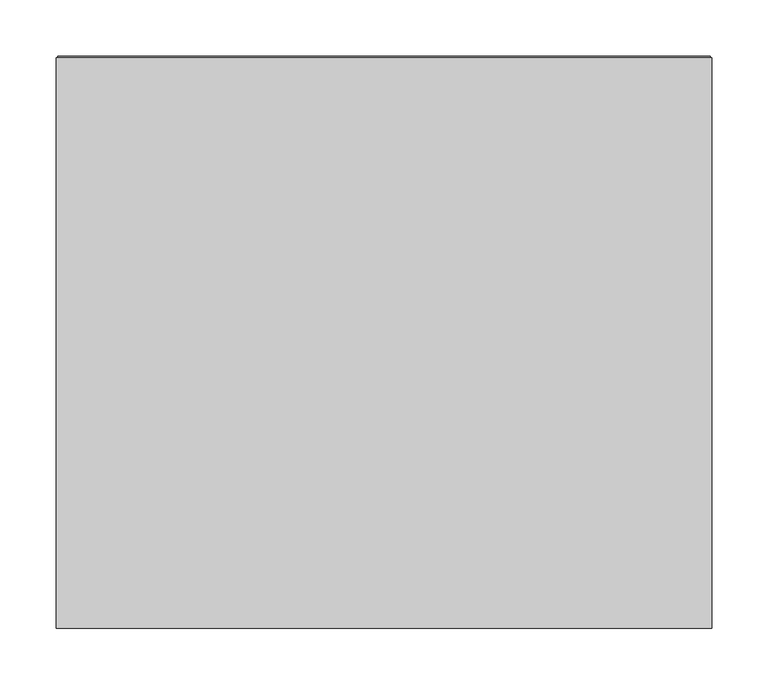
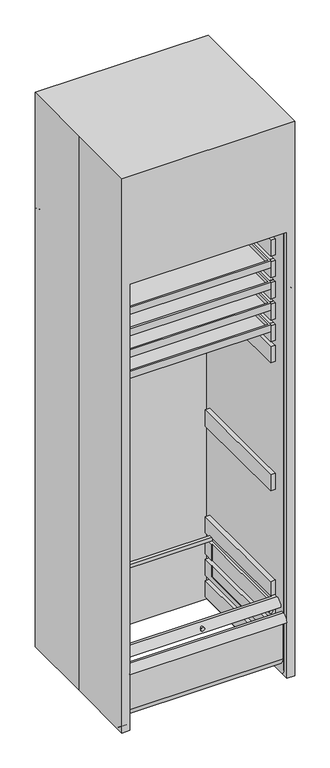
"""IFC4 building model written with IfcOpenShell, lengths in millimetres: proxy geometry."""

from ifc_helpers import new_model, si_unit, point, frame, frame_2d, origin, place, context, project, spatial, polyline, circle_curve, trimmed, segment, composite_curve, outline, extrude, faceted_brep, source, transform, mapped, element, save
from ifc_brep_helpers import plane_surface, cylinder_surface, revolved_surface, advanced_brep


def specialty_equipment_c87b44c6(model_context):
    return source(origin(), model_context, "Body", "SolidModel", [
        advanced_brep(
        [(250.825, 157.2121094, 248.49328), (250.825, 157.2121094, 259.59308), (-250.825, 157.2121094, 259.59308), (-250.825, 157.2121094, 248.49328), (-250.825, -188.8628906, 259.59308), (-250.825, -188.8628906, 248.49328), (250.825, -188.8628906, 248.49328), (250.825, -188.8628906, 259.59308), (263.525, -198.4871094, 259.59308), (263.525, -220.6128906, 234.95), (263.525, -214.2110534, 234.95), (263.525, -198.4871094, 253.24308), (263.525, -195.2128906, 253.24308), (263.525, -195.2128906, 248.49328), (263.525, 169.9121094, 248.49328), (263.525, 169.9121094, 259.59308), (-263.525, -198.4871094, 259.59308), (-263.525, 169.9121094, 259.59308), (-263.525, 169.9121094, 248.49328), (-263.525, -195.2128906, 248.49328), (-263.525, -195.2128906, 253.24308), (-263.525, -198.4871094, 253.24308), (-263.525, -214.2110534, 234.95), (-263.525, -220.6128906, 234.95)],
        [
            (0, 1),
            (1, 2),
            (2, 3),
            (3, 0),
            (2, 4),
            (4, 5),
            (5, 3),
            (0, 6),
            (6, 7),
            (7, 1),
            (8, 9, circle_curve(frame((263.525, -198.4871094, 237.3387273), z_axis=(1.0, 0.0, 0.0), x_axis=(0.0, 1.0, 0.0)), 22.2543527)),
            (9, 10),
            (10, 11, circle_curve(frame((263.525, -198.4871094, 237.3387273), z_axis=(-1.0, 0.0, 0.0), x_axis=(0.0, 1.0, 0.0)), 15.9043527)),
            (11, 12),
            (12, 13),
            (13, 14),
            (14, 15),
            (15, 8),
            (16, 17),
            (17, 18),
            (18, 19),
            (19, 20),
            (20, 21),
            (21, 22, circle_curve(frame((-263.525, -198.4871094, 237.3387273), z_axis=(1.0, 0.0, 0.0), x_axis=(0.0, 1.0, 0.0)), 15.9043527)),
            (22, 23),
            (23, 16, circle_curve(frame((-263.525, -198.4871094, 237.3387273), z_axis=(-1.0, 0.0, 0.0), x_axis=(0.0, 1.0, 0.0)), 22.2543527)),
            (8, 16),
            (23, 9),
            (22, 10),
            (21, 11),
            (20, 12),
            (19, 13),
            (18, 14),
            (5, 6),
            (17, 15),
            (7, 4),
        ],
        [
            plane_surface(frame((250.825, 157.2121094, 259.59308), z_axis=(0.0, -1.0, 0.0), x_axis=(0.0, 0.0, -1.0))),
            plane_surface(frame((-250.825, 157.2121094, 259.59308), z_axis=(1.0, 0.0, 0.0), x_axis=(0.0, 0.0, -1.0))),
            plane_surface(frame((250.825, -188.8628906, 259.59308), z_axis=(-1.0, 0.0, 0.0), x_axis=(0.0, 0.0, -1.0))),
            plane_surface(frame((263.525, -176.2327567, 237.3387273), z_axis=(1.0, 0.0, 0.0), x_axis=(0.0, 0.0, 1.0))),
            plane_surface(frame((-263.525, -176.2327567, 237.3387273), z_axis=(-1.0, 0.0, 0.0), x_axis=(0.0, 0.0, -1.0))),
            cylinder_surface(frame((-263.525, -198.4871094, 237.3387273), z_axis=(1.0, 0.0, 0.0), x_axis=(0.0, 1.0, 0.0)), 22.2543527),
            plane_surface(frame((263.525, -220.6128906, 234.95), z_axis=(0.0, 3.742431196915672e-12, -1.0), x_axis=(-1.0, 0.0, 0.0))),
            revolved_surface(polyline([(-263.525, -182.5827567, 237.3387273), (263.525, -182.5827567, 237.3387273)]), (-263.525, -198.4871094, 237.3387273), (-1.0, 0.0, 0.0)),
            plane_surface(frame((263.525, -198.4871094, 253.24308), z_axis=(0.0, 4.743841683113569e-12, -1.0), x_axis=(-1.0, 0.0, 0.0))),
            plane_surface(frame((263.525, -195.2128906, 253.24308), z_axis=(0.0, -1.0, 0.0), x_axis=(-1.0, 0.0, 0.0))),
            plane_surface(frame((263.525, -195.2128906, 248.49328), z_axis=(0.0, 0.0, -1.0), x_axis=(-1.0, 0.0, 0.0))),
            plane_surface(frame((263.525, 169.9121094, 248.49328), z_axis=(0.0, 1.0, 0.0), x_axis=(-1.0, 0.0, 0.0))),
            plane_surface(frame((263.525, 169.9121094, 259.59308), z_axis=(0.0, 0.0, 1.0), x_axis=(-1.0, 0.0, 0.0))),
            plane_surface(frame((-250.825, -188.8628906, 259.59308), z_axis=(0.0, 1.0, 0.0), x_axis=(0.0, 0.0, -1.0))),
        ],
        [
            (0, [[1, 2, 3, 4]]),
            (1, [[-3, 5, 6, 7]]),
            (2, [[-1, 8, 9, 10]]),
            (3, [[11, 12, 13, 14, 15, 16, 17, 18]]),
            (4, [[19, 20, 21, 22, 23, 24, 25, 26]]),
            (5, [[-11, 27, -26, 28]]),
            (6, [[-12, -28, -25, 29]]),
            (7, [[-13, -29, -24, 30]]),
            (8, [[-14, -30, -23, 31]]),
            (9, [[-15, -31, -22, 32]]),
            (10, [[-16, -32, -21, 33], [-4, -7, 34, -8]]),
            (11, [[-17, -33, -20, 35]]),
            (12, [[-18, -35, -19, -27], [-2, -10, 36, -5]]),
            (13, [[-6, -36, -9, -34]]),
        ],
    ),
        extrude(outline(composite_curve([segment(polyline([(7.9945349, 19.05), (-187.2478752, 19.05)]), True, "CONTINUOUS"), segment(trimmed(circle_curve(frame_2d((-187.5208067, 63.8315901)), 44.7824218), [point((-187.2478752, 19.05))], [point((-231.8019727, 57.15))], False, "CARTESIAN"), True, "CONTINUOUS"), segment(polyline([(-231.8019727, 57.15), (-231.8019727, 215.9)]), True, "CONTINUOUS"), segment(trimmed(circle_curve(frame_2d((-231.8019727, 199.9956473)), 15.9043527), [point((-231.8019727, 215.9))], [point((-247.6274154, 198.4133086))], True, "CARTESIAN"), True, "CONTINUOUS"), segment(polyline([(-247.6274154, 198.4133086), (-254.0, 198.4133086)]), True, "CONTINUOUS"), segment(trimmed(circle_curve(frame_2d((-231.8019727, 199.9956473)), 22.2543527), [point((-254.0, 198.4133086))], [point((-231.8019727, 222.25))], False, "CARTESIAN"), True, "CONTINUOUS"), segment(polyline([(-231.8019727, 222.25), (-225.3679651, 222.25), (-225.3679651, 57.15)]), True, "CONTINUOUS"), segment(trimmed(circle_curve(frame_2d((-187.5208067, 63.8315901)), 38.4324218), [point((-225.3679651, 57.15))], [point((-187.2679651, 25.4))], True, "CARTESIAN"), True, "CONTINUOUS"), segment(polyline([(-187.2679651, 25.4), (7.9945349, 25.4), (7.9945349, 19.05)]), True, "CONTINUOUS")], self_intersect=False)), frame((-265.1125, 0.0, 0.0), z_axis=(1.0, 0.0, 0.0), x_axis=(0.0, 1.0, 0.0)), (0.0, 0.0, 1.0), 530.225),
        faceted_brep([(-250.825, 157.2121094, 119.5410519), (-249.2375, 157.2121094, 119.5410519), (-249.2375, 157.2121094, 158.75), (-250.825, 157.2121094, 158.75), (-250.825, -186.53125, 119.5410519), (-250.825, -186.53125, 158.75), (-265.1125, -186.53125, 158.75), (-265.1125, -186.53125, 101.3968), (-249.2375, -186.53125, 101.3968), (-249.2375, -186.53125, 119.5410519), (-249.2375, 196.05625, 158.75), (-249.2375, 196.05625, 101.3968), (-265.1125, 196.05625, 101.3968), (-265.1125, 196.05625, 158.75)], [[[0, 1, 2, 3]], [[4, 0, 3, 5]], [[6, 7, 8, 9, 4, 5]], [[10, 11, 12, 13]], [[10, 13, 6, 5, 3, 2]], [[7, 6, 13, 12]], [[8, 7, 12, 11]], [[11, 10, 2, 1, 9, 8]], [[1, 0, 4, 9]]]),
        faceted_brep([(249.2375, 157.2121094, 119.5410519), (250.825, 157.2121094, 119.5410519), (250.825, 157.2121094, 158.75), (249.2375, 157.2121094, 158.75), (250.825, -186.53125, 119.5410519), (250.825, -186.53125, 158.75), (249.2375, -186.53125, 101.3968), (265.1125, -186.53125, 101.3968), (265.1125, -186.53125, 158.75), (249.2375, -186.53125, 119.5410519), (265.1125, 196.05625, 158.75), (265.1125, 196.05625, 101.3968), (249.2375, 196.05625, 101.3968), (249.2375, 196.05625, 158.75)], [[[0, 1, 2, 3]], [[1, 4, 5, 2]], [[6, 7, 8, 5, 4, 9]], [[10, 11, 12, 13]], [[10, 13, 3, 2, 5, 8]], [[13, 12, 6, 9, 0, 3]], [[7, 6, 12, 11]], [[8, 7, 11, 10]], [[1, 0, 9, 4]]]),
        extrude(outline(polyline([(249.2375, 196.05625), (265.1125, 196.05625), (265.1125, -186.53125), (250.825, -186.53125), (250.825, 157.2121094), (249.2375, 157.2121094), (249.2375, 196.05625)])), frame((0.0, 0.0, 177.5968), z_axis=(0.0, 0.0, 1.0), x_axis=(1.0, 0.0, 0.0)), (0.0, 0.0, 1.0), 57.3532),
        extrude(outline(polyline([(-265.1125, 196.05625), (-249.2375, 196.05625), (-249.2375, 157.2121094), (-250.825, 157.2121094), (-250.825, -186.53125), (-265.1125, -186.53125), (-265.1125, 196.05625)])), frame((0.0, 0.0, 177.5968), z_axis=(0.0, 0.0, 1.0), x_axis=(1.0, 0.0, 0.0)), (0.0, 0.0, 1.0), 57.3532),
        faceted_brep([(-249.2375, -186.53125, 311.15), (-265.1125, -186.53125, 311.15), (-265.1125, -186.53125, 253.7968), (-250.825, -186.53125, 253.7968), (-250.825, -186.53125, 259.59308), (-249.2375, -186.53125, 259.59308), (-249.2375, 196.05625, 311.15), (-249.2375, 196.05625, 253.7968), (-265.1125, 196.05625, 253.7968), (-265.1125, 196.05625, 311.15), (-249.2375, 157.2121094, 253.7968), (-250.825, 157.2121094, 253.7968), (-249.2375, 157.2121094, 259.59308), (-250.825, 157.2121094, 259.59308)], [[[0, 1, 2, 3, 4, 5]], [[6, 7, 8, 9]], [[1, 0, 6, 9]], [[2, 1, 9, 8]], [[8, 7, 10, 11, 3, 2]], [[7, 6, 0, 5, 12, 10]], [[4, 13, 12, 5]], [[12, 13, 11, 10]], [[13, 4, 3, 11]]]),
        faceted_brep([(265.1125, -186.53125, 311.15), (249.2375, -186.53125, 311.15), (249.2375, -186.53125, 259.59308), (250.825, -186.53125, 259.59308), (250.825, -186.53125, 253.7968), (265.1125, -186.53125, 253.7968), (265.1125, 196.05625, 311.15), (265.1125, 196.05625, 253.7968), (249.2375, 196.05625, 253.7968), (249.2375, 196.05625, 311.15), (249.2375, 157.2121094, 253.7968), (249.2375, 157.2121094, 259.59308), (250.825, 157.2121094, 253.7968), (250.825, 157.2121094, 259.59308)], [[[0, 1, 2, 3, 4, 5]], [[6, 7, 8, 9]], [[1, 0, 6, 9]], [[9, 8, 10, 11, 2, 1]], [[8, 7, 5, 4, 12, 10]], [[0, 5, 7, 6]], [[13, 3, 2, 11]], [[13, 11, 10, 12]], [[3, 13, 12, 4]]]),
        faceted_brep([(242.7689646, 163.5125, 1466.85), (-242.7689646, 163.5125, 1466.85), (-242.7689646, -198.4375, 1466.85), (242.7689646, -198.4375, 1466.85), (-236.4189646, 157.1625, 1466.85), (236.4189646, 157.1625, 1466.85), (236.4189646, -192.0875, 1466.85), (-236.4189646, -192.0875, 1466.85), (242.7689646, 163.5125, 1441.45), (242.7689646, -198.4375, 1441.45), (-242.7689646, -198.4375, 1441.45), (-242.7689646, 163.5125, 1441.45), (236.4189646, 157.1625, 1454.15), (-236.4189646, 157.1625, 1454.15), (-236.4189646, -192.0875, 1454.15), (236.4189646, -192.0875, 1454.15)], [[[0, 1, 2, 3], [4, 5, 6, 7]], [[8, 9, 10, 11]], [[1, 0, 8, 11]], [[2, 1, 11, 10]], [[3, 2, 10, 9]], [[0, 3, 9, 8]], [[12, 13, 14, 15]], [[13, 12, 5, 4]], [[14, 13, 4, 7]], [[15, 14, 7, 6]], [[12, 15, 6, 5]]]),
        extrude(outline(polyline([(-242.7689646, 141.2875), (-242.7689646, -176.2125), (-263.525, -176.2125), (-263.525, 141.2875), (-242.7689646, 141.2875)])), frame((0.0, 0.0, 1454.15), z_axis=(0.0, 0.0, 1.0), x_axis=(1.0, 0.0, 0.0)), (0.0, 0.0, 1.0), 1.6002),
        extrude(outline(polyline([(242.7689646, 141.2875), (263.525, 141.2875), (263.525, -176.2125), (242.7689646, -176.2125), (242.7689646, 141.2875)])), frame((0.0, 0.0, 1454.15), z_axis=(0.0, 0.0, 1.0), x_axis=(1.0, 0.0, 0.0)), (0.0, 0.0, 1.0), 1.6002),
        extrude(outline(polyline([(-249.2375, -186.53125), (-265.1125, -186.53125), (-265.1125, 196.05625), (-249.2375, 196.05625), (-249.2375, -186.53125)])), frame((0.0, 0.0, 1396.7968), z_axis=(0.0, 0.0, 1.0), x_axis=(1.0, 0.0, 0.0)), (0.0, 0.0, 1.0), 57.3532),
        extrude(outline(polyline([(265.1125, -186.53125), (249.2375, -186.53125), (249.2375, 196.05625), (265.1125, 196.05625), (265.1125, -186.53125)])), frame((0.0, 0.0, 1396.7968), z_axis=(0.0, 0.0, 1.0), x_axis=(1.0, 0.0, 0.0)), (0.0, 0.0, 1.0), 57.3532),
        faceted_brep([(242.7689646, 163.5125, 1390.65), (-242.7689646, 163.5125, 1390.65), (-242.7689646, -198.4375, 1390.65), (242.7689646, -198.4375, 1390.65), (-236.4189646, 157.1625, 1390.65), (236.4189646, 157.1625, 1390.65), (236.4189646, -192.0875, 1390.65), (-236.4189646, -192.0875, 1390.65), (242.7689646, 163.5125, 1365.25), (242.7689646, -198.4375, 1365.25), (-242.7689646, -198.4375, 1365.25), (-242.7689646, 163.5125, 1365.25), (236.4189646, 157.1625, 1377.95), (-236.4189646, 157.1625, 1377.95), (-236.4189646, -192.0875, 1377.95), (236.4189646, -192.0875, 1377.95)], [[[0, 1, 2, 3], [4, 5, 6, 7]], [[8, 9, 10, 11]], [[1, 0, 8, 11]], [[2, 1, 11, 10]], [[3, 2, 10, 9]], [[0, 3, 9, 8]], [[12, 13, 14, 15]], [[13, 12, 5, 4]], [[14, 13, 4, 7]], [[15, 14, 7, 6]], [[12, 15, 6, 5]]]),
        extrude(outline(polyline([(-242.7689646, 141.2875), (-242.7689646, -176.2125), (-263.525, -176.2125), (-263.525, 141.2875), (-242.7689646, 141.2875)])), frame((0.0, 0.0, 1377.95), z_axis=(0.0, 0.0, 1.0), x_axis=(1.0, 0.0, 0.0)), (0.0, 0.0, 1.0), 1.6002),
        extrude(outline(polyline([(242.7689646, 141.2875), (263.525, 141.2875), (263.525, -176.2125), (242.7689646, -176.2125), (242.7689646, 141.2875)])), frame((0.0, 0.0, 1377.95), z_axis=(0.0, 0.0, 1.0), x_axis=(1.0, 0.0, 0.0)), (0.0, 0.0, 1.0), 1.6002),
        extrude(outline(polyline([(-249.2375, -186.53125), (-265.1125, -186.53125), (-265.1125, 196.05625), (-249.2375, 196.05625), (-249.2375, -186.53125)])), frame((0.0, 0.0, 1320.5968), z_axis=(0.0, 0.0, 1.0), x_axis=(1.0, 0.0, 0.0)), (0.0, 0.0, 1.0), 57.3532),
        extrude(outline(polyline([(265.1125, -186.53125), (249.2375, -186.53125), (249.2375, 196.05625), (265.1125, 196.05625), (265.1125, -186.53125)])), frame((0.0, 0.0, 1320.5968), z_axis=(0.0, 0.0, 1.0), x_axis=(1.0, 0.0, 0.0)), (0.0, 0.0, 1.0), 57.3532),
        faceted_brep([(242.7689646, 163.5125, 1314.45), (-242.7689646, 163.5125, 1314.45), (-242.7689646, -198.4375, 1314.45), (242.7689646, -198.4375, 1314.45), (-236.4189646, 157.1625, 1314.45), (236.4189646, 157.1625, 1314.45), (236.4189646, -192.0875, 1314.45), (-236.4189646, -192.0875, 1314.45), (242.7689646, 163.5125, 1289.05), (242.7689646, -198.4375, 1289.05), (-242.7689646, -198.4375, 1289.05), (-242.7689646, 163.5125, 1289.05), (236.4189646, 157.1625, 1301.75), (-236.4189646, 157.1625, 1301.75), (-236.4189646, -192.0875, 1301.75), (236.4189646, -192.0875, 1301.75)], [[[0, 1, 2, 3], [4, 5, 6, 7]], [[8, 9, 10, 11]], [[1, 0, 8, 11]], [[2, 1, 11, 10]], [[3, 2, 10, 9]], [[0, 3, 9, 8]], [[12, 13, 14, 15]], [[13, 12, 5, 4]], [[14, 13, 4, 7]], [[15, 14, 7, 6]], [[12, 15, 6, 5]]]),
        extrude(outline(polyline([(-242.7689646, 141.2875), (-242.7689646, -176.2125), (-263.525, -176.2125), (-263.525, 141.2875), (-242.7689646, 141.2875)])), frame((0.0, 0.0, 1301.75), z_axis=(0.0, 0.0, 1.0), x_axis=(1.0, 0.0, 0.0)), (0.0, 0.0, 1.0), 1.6002),
        extrude(outline(polyline([(242.7689646, 141.2875), (263.525, 141.2875), (263.525, -176.2125), (242.7689646, -176.2125), (242.7689646, 141.2875)])), frame((0.0, 0.0, 1301.75), z_axis=(0.0, 0.0, 1.0), x_axis=(1.0, 0.0, 0.0)), (0.0, 0.0, 1.0), 1.6002),
        extrude(outline(polyline([(-249.2375, -186.53125), (-265.1125, -186.53125), (-265.1125, 196.05625), (-249.2375, 196.05625), (-249.2375, -186.53125)])), frame((0.0, 0.0, 1244.3968), z_axis=(0.0, 0.0, 1.0), x_axis=(1.0, 0.0, 0.0)), (0.0, 0.0, 1.0), 57.3532),
        extrude(outline(polyline([(265.1125, -186.53125), (249.2375, -186.53125), (249.2375, 196.05625), (265.1125, 196.05625), (265.1125, -186.53125)])), frame((0.0, 0.0, 1244.3968), z_axis=(0.0, 0.0, 1.0), x_axis=(1.0, 0.0, 0.0)), (0.0, 0.0, 1.0), 57.3532),
        faceted_brep([(242.7689646, 163.5125, 1238.25), (-242.7689646, 163.5125, 1238.25), (-242.7689646, -198.4375, 1238.25), (242.7689646, -198.4375, 1238.25), (-236.4189646, 157.1625, 1238.25), (236.4189646, 157.1625, 1238.25), (236.4189646, -192.0875, 1238.25), (-236.4189646, -192.0875, 1238.25), (242.7689646, 163.5125, 1212.85), (242.7689646, -198.4375, 1212.85), (-242.7689646, -198.4375, 1212.85), (-242.7689646, 163.5125, 1212.85), (236.4189646, 157.1625, 1225.55), (-236.4189646, 157.1625, 1225.55), (-236.4189646, -192.0875, 1225.55), (236.4189646, -192.0875, 1225.55)], [[[0, 1, 2, 3], [4, 5, 6, 7]], [[8, 9, 10, 11]], [[1, 0, 8, 11]], [[2, 1, 11, 10]], [[3, 2, 10, 9]], [[0, 3, 9, 8]], [[12, 13, 14, 15]], [[13, 12, 5, 4]], [[14, 13, 4, 7]], [[15, 14, 7, 6]], [[12, 15, 6, 5]]]),
        extrude(outline(polyline([(-242.7689646, 141.2875), (-242.7689646, -176.2125), (-263.525, -176.2125), (-263.525, 141.2875), (-242.7689646, 141.2875)])), frame((0.0, 0.0, 1225.55), z_axis=(0.0, 0.0, 1.0), x_axis=(1.0, 0.0, 0.0)), (0.0, 0.0, 1.0), 1.6002),
        extrude(outline(polyline([(242.7689646, 141.2875), (263.525, 141.2875), (263.525, -176.2125), (242.7689646, -176.2125), (242.7689646, 141.2875)])), frame((0.0, 0.0, 1225.55), z_axis=(0.0, 0.0, 1.0), x_axis=(1.0, 0.0, 0.0)), (0.0, 0.0, 1.0), 1.6002),
        extrude(outline(polyline([(-249.2375, -186.53125), (-265.1125, -186.53125), (-265.1125, 196.05625), (-249.2375, 196.05625), (-249.2375, -186.53125)])), frame((0.0, 0.0, 1168.1968), z_axis=(0.0, 0.0, 1.0), x_axis=(1.0, 0.0, 0.0)), (0.0, 0.0, 1.0), 57.3532),
        extrude(outline(polyline([(265.1125, -186.53125), (249.2375, -186.53125), (249.2375, 196.05625), (265.1125, 196.05625), (265.1125, -186.53125)])), frame((0.0, 0.0, 1168.1968), z_axis=(0.0, 0.0, 1.0), x_axis=(1.0, 0.0, 0.0)), (0.0, 0.0, 1.0), 57.3532),
        extrude(outline(composite_curve([segment(trimmed(circle_curve(frame_2d((221.49308, 238.125)), 6.35), [point((221.49308, 231.775))], [point((221.49308, 244.475))], False, "CARTESIAN"), True, "CONTINUOUS"), segment(trimmed(circle_curve(frame_2d((221.49308, 238.125)), 6.35), [point((221.49308, 244.475))], [point((221.49308, 231.775))], False, "CARTESIAN"), True, "CONTINUOUS")], self_intersect=False)), frame((0.0, -207.9128906, 0.0), z_axis=(0.0, 1.0, 0.0), x_axis=(0.0, 0.0, 1.0)), (0.0, 0.0, 1.0), 12.7),
        extrude(outline(composite_curve([segment(trimmed(circle_curve(frame_2d((248.49328, 0.0)), 6.35), [point((248.49328, -6.35))], [point((248.49328, 6.35))], False, "CARTESIAN"), True, "CONTINUOUS"), segment(trimmed(circle_curve(frame_2d((248.49328, 0.0)), 6.35), [point((248.49328, 6.35))], [point((248.49328, -6.35))], False, "CARTESIAN"), True, "CONTINUOUS")], self_intersect=False)), frame((0.0, -220.6128906, 0.0), z_axis=(0.0, 1.0, 0.0), x_axis=(0.0, 0.0, 1.0)), (0.0, 0.0, 1.0), 25.4),
        extrude(outline(polyline([(-249.2375, -186.53125), (-265.1125, -186.53125), (-265.1125, 196.05625), (-249.2375, 196.05625), (-249.2375, -186.53125)])), frame((0.0, 0.0, 25.1968), z_axis=(0.0, 0.0, 1.0), x_axis=(1.0, 0.0, 0.0)), (0.0, 0.0, 1.0), 57.3532),
        extrude(outline(polyline([(265.1125, -186.53125), (249.2375, -186.53125), (249.2375, 196.05625), (265.1125, 196.05625), (265.1125, -186.53125)])), frame((0.0, 0.0, 25.1968), z_axis=(0.0, 0.0, 1.0), x_axis=(1.0, 0.0, 0.0)), (0.0, 0.0, 1.0), 57.3532),
        extrude(outline(polyline([(-249.2375, -186.53125), (-265.1125, -186.53125), (-265.1125, 196.05625), (-249.2375, 196.05625), (-249.2375, -186.53125)])), frame((0.0, 0.0, 634.7968), z_axis=(0.0, 0.0, 1.0), x_axis=(1.0, 0.0, 0.0)), (0.0, 0.0, 1.0), 57.3532),
        extrude(outline(polyline([(265.1125, -186.53125), (249.2375, -186.53125), (249.2375, 196.05625), (265.1125, 196.05625), (265.1125, -186.53125)])), frame((0.0, 0.0, 634.7968), z_axis=(0.0, 0.0, 1.0), x_axis=(1.0, 0.0, 0.0)), (0.0, 0.0, 1.0), 57.3532),
        extrude(outline(polyline([(-249.2375, -186.53125), (-265.1125, -186.53125), (-265.1125, 196.05625), (-249.2375, 196.05625), (-249.2375, -186.53125)])), frame((0.0, 0.0, 1091.9968), z_axis=(0.0, 0.0, 1.0), x_axis=(1.0, 0.0, 0.0)), (0.0, 0.0, 1.0), 57.3532),
        extrude(outline(polyline([(265.1125, -186.53125), (249.2375, -186.53125), (249.2375, 196.05625), (265.1125, 196.05625), (265.1125, -186.53125)])), frame((0.0, 0.0, 1091.9968), z_axis=(0.0, 0.0, 1.0), x_axis=(1.0, 0.0, 0.0)), (0.0, 0.0, 1.0), 57.3532),
        extrude(outline(polyline([(-249.2375, -186.53125), (-265.1125, -186.53125), (-265.1125, 196.05625), (-249.2375, 196.05625), (-249.2375, -186.53125)])), frame((0.0, 0.0, 1472.9968), z_axis=(0.0, 0.0, 1.0), x_axis=(1.0, 0.0, 0.0)), (0.0, 0.0, 1.0), 57.3532),
        extrude(outline(polyline([(265.1125, -186.53125), (249.2375, -186.53125), (249.2375, 196.05625), (265.1125, 196.05625), (265.1125, -186.53125)])), frame((0.0, 0.0, 1472.9968), z_axis=(0.0, 0.0, 1.0), x_axis=(1.0, 0.0, 0.0)), (0.0, 0.0, 1.0), 57.3532),
        advanced_brep(
        [(277.8125, -223.8375, 1377.95), (277.8125, -223.8375, 1390.65), (277.8125, -223.8375, 1384.3), (277.8125, -249.2375, 1377.95), (277.8125, -249.2375, 1390.65), (277.8125, -249.2375, 1384.3)],
        [
            (0, 1, circle_curve(frame((277.8125, -223.8375, 1384.3), z_axis=(0.0, 1.0, 0.0), x_axis=(0.0, 0.0, 1.0)), 6.35)),
            (1, 2),
            (2, 0),
            (1, 0, circle_curve(frame((277.8125, -223.8375, 1384.3), z_axis=(0.0, 1.0, 0.0), x_axis=(0.0, 0.0, 1.0)), 6.35)),
            (3, 4, circle_curve(frame((277.8125, -249.2375, 1384.3), z_axis=(0.0, 1.0, 0.0), x_axis=(0.0, 0.0, 1.0)), 6.35)),
            (4, 1),
            (0, 3),
            (4, 3, circle_curve(frame((277.8125, -249.2375, 1384.3), z_axis=(0.0, 1.0, 0.0), x_axis=(0.0, 0.0, 1.0)), 6.35)),
            (5, 4),
            (3, 5),
        ],
        [
            plane_surface(frame((277.8125, -223.8375, 1384.3), z_axis=(0.0, 1.0, 0.0), x_axis=(0.0, 0.0, 1.0))),
            cylinder_surface(frame((277.8125, -249.2375, 1384.3), z_axis=(0.0, -1.0, 0.0), x_axis=(0.0, 0.0, 1.0)), 6.35),
            plane_surface(frame((277.8125, -249.2375, 1384.3), z_axis=(0.0, -1.0, 0.0), x_axis=(0.0, 0.0, 1.0))),
        ],
        [
            (0, [[1, 2, 3]]),
            (0, [[4, -3, -2]]),
            (1, [[5, 6, -1, 7]]),
            (1, [[8, -7, -4, -6]]),
            (2, [[9, -5, 10]]),
            (2, [[-10, -8, -9]]),
        ],
    ),
        advanced_brep(
        [(-265.1125, 215.4854599, 1594.848234), (-265.1125, 215.4854599, 0.0), (265.1125, 215.4854599, 0.0), (265.1125, 215.4854599, 1594.848234), (-265.1125, -236.5375, 1594.848234), (-265.1125, -236.5375, 19.05), (-265.1125, -217.4875, 0.0), (265.1125, -217.4875, 0.0), (265.1125, -236.5375, 19.05), (265.1125, -236.5375, 1594.848234), (290.5125, -233.2877937, 1620.248234), (290.5125, -236.5375, 1614.9936651), (290.5125, -236.5375, 19.05), (290.5125, -217.4875, 0.0), (290.5125, 249.2375, 0.0), (290.5125, 255.5875, 6.35), (290.5125, 255.5875, 12.7), (290.5125, 249.2375, 19.05), (290.5125, 238.125, 19.05), (290.5125, 227.0125, 30.1625), (290.5125, 227.0125, 1521.9782764), (290.5125, 246.0625, 1521.9782764), (290.5125, 254.0712073, 1521.9782764), (290.5125, 255.5875, 1533.525), (290.5125, 255.5875, 1558.925), (290.5125, 247.1767133, 1571.511276), (290.5125, 233.2830369, 1576.5681607), (290.5125, 227.0125, 1584.3499764), (290.5125, 227.0125, 1663.4948907), (290.5125, 201.6125, 1688.8948869), (-290.5125, -233.2877937, 1620.248234), (-290.5125, 201.6125, 1688.8948869), (-290.5125, 227.0124962, 1663.4948907), (-290.5125, 227.0125, 1584.3499764), (-290.5125, 233.2830369, 1576.5681607), (-290.5125, 247.1767133, 1571.511276), (-290.5125, 255.5875, 1558.925), (-290.5125, 255.5875, 1533.525), (-290.5125, 254.0712073, 1521.9782764), (-290.5125, 246.0625, 1521.9782764), (-290.5125, 227.0125, 1521.9782764), (-290.5125, 227.0125, 30.1625), (-290.5125, 238.125, 19.05), (-290.5125, 249.2375, 19.05), (-290.5125, 255.5875, 12.7), (-290.5125, 255.5875, 6.35), (-290.5125, 249.2375, 0.0), (-290.5125, -217.4875, 0.0), (-290.5125, -236.5375, 19.05), (-290.5125, -236.5375, 1614.9936651)],
        [
            (0, 1),
            (1, 2),
            (2, 3),
            (3, 0),
            (0, 4),
            (4, 5),
            (5, 6, circle_curve(frame((-265.1125, -217.4875, 19.05), z_axis=(1.0, 0.0, 0.0), x_axis=(0.0, 1.0, 0.0)), 19.05)),
            (6, 1),
            (2, 7),
            (7, 8, circle_curve(frame((265.1125, -217.4875, 19.05), z_axis=(-1.0, 0.0, 0.0), x_axis=(0.0, 1.0, 0.0)), 19.05)),
            (8, 9),
            (9, 3),
            (9, 4),
            (10, 11, circle_curve(frame((290.5125, -230.6644945, 1614.9936651), z_axis=(1.0, 0.0, 0.0), x_axis=(0.0, 1.0, 0.0)), 5.8730055)),
            (11, 12),
            (12, 13, circle_curve(frame((290.5125, -217.4875, 19.05), z_axis=(1.0, 0.0, 0.0), x_axis=(0.0, 1.0, 0.0)), 19.05)),
            (13, 14),
            (14, 15, circle_curve(frame((290.5125, 249.2375, 6.35), z_axis=(1.0, 0.0, 0.0), x_axis=(0.0, 1.0, 0.0)), 6.35)),
            (15, 16),
            (16, 17, circle_curve(frame((290.5125, 249.2375, 12.7), z_axis=(1.0, 0.0, 0.0), x_axis=(0.0, 1.0, 0.0)), 6.35)),
            (17, 18),
            (18, 19, circle_curve(frame((290.5125, 238.125, 30.1625), z_axis=(-1.0, 0.0, 0.0), x_axis=(0.0, 1.0, 0.0)), 11.1125)),
            (19, 20),
            (20, 21, circle_curve(frame((290.5125, 236.5375, 1521.9782764), z_axis=(-1.0, 0.0, 0.0), x_axis=(0.0, 1.0, 0.0)), 9.525)),
            (21, 22),
            (22, 23),
            (23, 24),
            (24, 25, circle_curve(frame((290.5125, 241.9647745, 1558.925), z_axis=(1.0, 0.0, 0.0), x_axis=(0.0, 1.0, 0.0)), 13.6227255)),
            (25, 26),
            (26, 27, circle_curve(frame((290.5125, 236.588048, 1585.6486043), z_axis=(-1.0, 0.0, 0.0), x_axis=(0.0, 1.0, 0.0)), 9.6632062)),
            (27, 28),
            (28, 29, circle_curve(frame((290.5125, 201.6125, 1663.4948907), z_axis=(1.0, 0.0, 0.0), x_axis=(0.0, 1.0, 0.0)), 25.3999962)),
            (29, 10, circle_curve(frame((290.5125, 227.0124962, 116.0318932), z_axis=(1.0, 0.0, 0.0), x_axis=(0.0, 1.0, 0.0)), 1573.0680712)),
            (30, 31, circle_curve(frame((-290.5125, 227.0124962, 116.0318932), z_axis=(-1.0, 0.0, 0.0), x_axis=(0.0, 1.0, 0.0)), 1573.0680712)),
            (31, 32, circle_curve(frame((-290.5125, 201.6125, 1663.4948907), z_axis=(-1.0, 0.0, 0.0), x_axis=(0.0, 1.0, 0.0)), 25.3999962)),
            (32, 33),
            (33, 34, circle_curve(frame((-290.5125, 236.588048, 1585.6486043), z_axis=(1.0, 0.0, 0.0), x_axis=(0.0, 1.0, 0.0)), 9.6632062)),
            (34, 35),
            (35, 36, circle_curve(frame((-290.5125, 241.9647745, 1558.925), z_axis=(-1.0, 0.0, 0.0), x_axis=(0.0, 1.0, 0.0)), 13.6227255)),
            (36, 37),
            (37, 38),
            (38, 39),
            (39, 40, circle_curve(frame((-290.5125, 236.5375, 1521.9782764), z_axis=(1.0, 0.0, 0.0), x_axis=(0.0, 1.0, 0.0)), 9.525)),
            (40, 41),
            (41, 42, circle_curve(frame((-290.5125, 238.125, 30.1625), z_axis=(1.0, 0.0, 0.0), x_axis=(0.0, 1.0, 0.0)), 11.1125)),
            (42, 43),
            (43, 44, circle_curve(frame((-290.5125, 249.2375, 12.7), z_axis=(-1.0, 0.0, 0.0), x_axis=(0.0, 1.0, 0.0)), 6.35)),
            (44, 45),
            (45, 46, circle_curve(frame((-290.5125, 249.2375, 6.35), z_axis=(-1.0, 0.0, 0.0), x_axis=(0.0, 1.0, 0.0)), 6.35)),
            (46, 47),
            (47, 48, circle_curve(frame((-290.5125, -217.4875, 19.05), z_axis=(-1.0, 0.0, 0.0), x_axis=(0.0, 1.0, 0.0)), 19.05)),
            (48, 49),
            (49, 30, circle_curve(frame((-290.5125, -230.6644945, 1614.9936651), z_axis=(-1.0, 0.0, 0.0), x_axis=(0.0, 1.0, 0.0)), 5.8730055)),
            (10, 30),
            (49, 11),
            (48, 5),
            (8, 12),
            (7, 13),
            (47, 6),
            (46, 14),
            (45, 15),
            (44, 16),
            (43, 17),
            (42, 18),
            (41, 19),
            (40, 20),
            (39, 21),
            (38, 22),
            (37, 23),
            (36, 24),
            (35, 25),
            (34, 26),
            (33, 27),
            (32, 28),
            (31, 29),
        ],
        [
            plane_surface(frame((-265.1125, 215.4854599, 0.0), z_axis=(0.0, -1.0, 0.0), x_axis=(0.0, 0.0, 1.0))),
            plane_surface(frame((-265.1125, -254.0, 1594.848234), z_axis=(1.0, 0.0, 0.0), x_axis=(0.0, 1.0, 0.0))),
            plane_surface(frame((265.1125, -254.0, 0.0), z_axis=(-1.0, 0.0, 0.0), x_axis=(0.0, 1.0, 0.0))),
            plane_surface(frame((265.1125, -254.0, 1594.848234), z_axis=(0.0, 0.0, -1.0), x_axis=(0.0, 1.0, 0.0))),
            plane_surface(frame((290.5125, -224.7914891, 1614.9936651), z_axis=(1.0, 0.0, 0.0), x_axis=(0.0, 0.0, 1.0))),
            plane_surface(frame((-290.5125, -224.7914891, 1614.9936651), z_axis=(-1.0, 0.0, 0.0), x_axis=(0.0, 0.0, -1.0))),
            cylinder_surface(frame((-290.5125, -230.6644945, 1614.9936651), z_axis=(1.0, 0.0, 0.0), x_axis=(0.0, 1.0, 0.0)), 5.8730055),
            plane_surface(frame((290.5125, -236.5375, 1614.9936651), z_axis=(0.0, -1.0, 0.0), x_axis=(-1.0, 0.0, 0.0))),
            cylinder_surface(frame((-290.5125, -217.4875, 19.05), z_axis=(1.0, 0.0, 0.0), x_axis=(0.0, 1.0, 0.0)), 19.05),
            plane_surface(frame((290.5125, -217.4875, 0.0), z_axis=(0.0, 0.0, -1.0), x_axis=(-1.0, 0.0, 0.0))),
            cylinder_surface(frame((-290.5125, 249.2375, 6.35), z_axis=(1.0, 0.0, 0.0), x_axis=(0.0, 1.0, 0.0)), 6.35),
            plane_surface(frame((290.5125, 255.5875, 6.35), z_axis=(0.0, 1.0, 0.0), x_axis=(-1.0, 0.0, 0.0))),
            cylinder_surface(frame((-290.5125, 249.2375, 12.7), z_axis=(1.0, 0.0, 0.0), x_axis=(0.0, 1.0, 0.0)), 6.35),
            plane_surface(frame((290.5125, 249.2375, 19.05), z_axis=(0.0, 0.0, 1.0), x_axis=(-1.0, 0.0, 0.0))),
            revolved_surface(polyline([(-290.5125, 249.2375, 30.1625), (290.5125, 249.2375, 30.1625)]), (-290.5125, 238.125, 30.1625), (-1.0, 0.0, 0.0)),
            plane_surface(frame((290.5125, 227.0125, 30.1625), z_axis=(0.0, 1.0, 0.0), x_axis=(-1.0, 0.0, 0.0))),
            revolved_surface(polyline([(-290.5125, 246.0625, 1521.9782764), (290.5125, 246.0625, 1521.9782764)]), (-290.5125, 236.5375, 1521.9782764), (-1.0, 0.0, 0.0)),
            plane_surface(frame((290.5125, 246.0625, 1521.9782764), z_axis=(0.0, 0.0, -1.0), x_axis=(-1.0, 0.0, 0.0))),
            plane_surface(frame((290.5125, 254.0712073, 1521.9782764), z_axis=(0.0, 0.991487726121497, -0.13020018798152067), x_axis=(-1.0, 0.0, 0.0))),
            plane_surface(frame((290.5125, 255.5875, 1533.525), z_axis=(0.0, 1.0, 0.0), x_axis=(-1.0, 0.0, 0.0))),
            cylinder_surface(frame((-290.5125, 241.9647745, 1558.925), z_axis=(1.0, 0.0, 0.0), x_axis=(0.0, 1.0, 0.0)), 13.6227255),
            plane_surface(frame((290.5125, 247.1767133, 1571.511276), z_axis=(0.0, 0.34202014332667874, 0.9396926207855408), x_axis=(-1.0, 0.0, 0.0))),
            revolved_surface(polyline([(-290.5125, 246.25125419999998, 1585.6486043), (290.5125, 246.25125419999998, 1585.6486043)]), (-290.5125, 236.588048, 1585.6486043), (-1.0, 0.0, 0.0)),
            plane_surface(frame((290.5125, 227.0125, 1584.3499764), z_axis=(0.0, 1.0, 0.0), x_axis=(-1.0, 0.0, 0.0))),
            cylinder_surface(frame((-290.5125, 201.6125, 1663.4948907), z_axis=(1.0, 0.0, 0.0), x_axis=(0.0, 1.0, 0.0)), 25.3999962),
            cylinder_surface(frame((-290.5125, 227.0124962, 116.0318932), z_axis=(1.0, 0.0, 0.0), x_axis=(0.0, 1.0, 0.0)), 1573.0680712),
        ],
        [
            (0, [[1, 2, 3, 4]]),
            (1, [[-1, 5, 6, 7, 8]]),
            (2, [[-3, 9, 10, 11, 12]]),
            (3, [[-4, -12, 13, -5]]),
            (4, [[14, 15, 16, 17, 18, 19, 20, 21, 22, 23, 24, 25, 26, 27, 28, 29, 30, 31, 32, 33]]),
            (5, [[34, 35, 36, 37, 38, 39, 40, 41, 42, 43, 44, 45, 46, 47, 48, 49, 50, 51, 52, 53]]),
            (6, [[-14, 54, -53, 55]]),
            (7, [[-15, -55, -52, 56, -6, -13, -11, 57]]),
            (8, [[-16, -57, -10, 58]]),
            (8, [[-51, 59, -7, -56]]),
            (9, [[-17, -58, -9, -2, -8, -59, -50, 60]]),
            (10, [[-18, -60, -49, 61]]),
            (11, [[-19, -61, -48, 62]]),
            (12, [[-20, -62, -47, 63]]),
            (13, [[-21, -63, -46, 64]]),
            (14, [[-22, -64, -45, 65]]),
            (15, [[-23, -65, -44, 66]]),
            (16, [[-24, -66, -43, 67]]),
            (17, [[-25, -67, -42, 68]]),
            (18, [[-26, -68, -41, 69]]),
            (19, [[-27, -69, -40, 70]]),
            (20, [[-28, -70, -39, 71]]),
            (21, [[-29, -71, -38, 72]]),
            (22, [[-30, -72, -37, 73]]),
            (23, [[-31, -73, -36, 74]]),
            (24, [[-32, -74, -35, 75]]),
            (25, [[-33, -75, -34, -54]]),
        ],
    ),
        faceted_brep([(-292.1, 254.0, 1981.2), (-292.1, 0.0, 1981.2), (-292.1, -254.0, 1981.2), (292.1, -254.0, 1981.2), (292.1, 254.0, 1981.2), (-292.1, 254.0, 0.0), (292.1, 254.0, 0.0), (292.1, -254.0, 0.0), (265.1125, -254.0, 0.0), (265.1125, 215.4854599, 0.0), (-265.1125, 215.4854599, 0.0), (-265.1125, -254.0, 0.0), (-292.1, -254.0, 0.0), (-292.1, 0.0, 0.0), (-265.1125, -254.0, 1594.848234), (265.1125, -254.0, 1594.848234), (-265.1125, 215.4854599, 1594.848234), (265.1125, 215.4854599, 1594.848234)], [[[0, 1, 2, 3, 4]], [[5, 6, 7, 8, 9, 10, 11, 12, 13]], [[1, 0, 5, 13]], [[2, 1, 13, 12]], [[3, 2, 12, 11, 14, 15, 8, 7]], [[4, 3, 7, 6]], [[0, 4, 6, 5]], [[16, 10, 9, 17]], [[10, 16, 14, 11]], [[17, 9, 8, 15]], [[16, 17, 15, 14]]]),
    ])


if __name__ == "__main__":
    model = new_model("IFC4")
    model_context = context("Model", 3, world=origin())
    ifc_project = project(units=[si_unit("LENGTHUNIT", "METRE", prefix="MILLI")], contexts=[model_context])
    site = spatial("IfcSite", under=ifc_project)
    building = spatial("IfcBuilding", under=site)
    placement = place(None, origin())
    specialty_equipment_shape = specialty_equipment_c87b44c6(model_context)
    element("IfcBuildingElementProxy", 1, Name="Specialty Equipment", at=placement, inside=building, context=model_context, shape_type="MappedRepresentation", body=[
        mapped(specialty_equipment_shape, transform((0.0, 0.0, 0.0), x_axis=(1.0, 0.0, 0.0), y_axis=(0.0, 1.0, 0.0), z_axis=(0.0, 0.0, 1.0))),
    ])
    save(model, "model.ifc")
